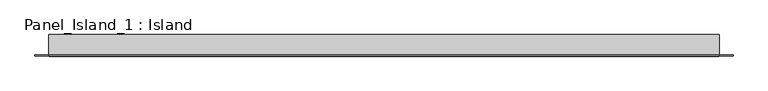
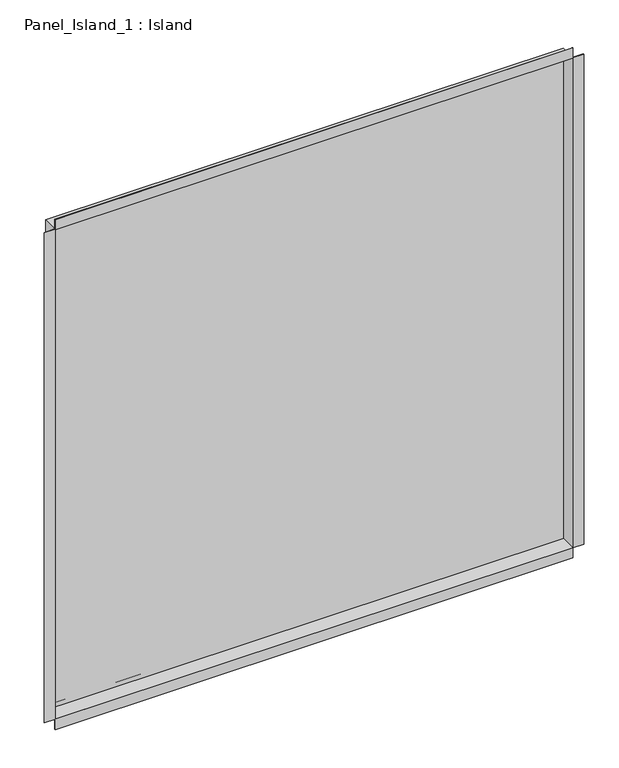
"""IFC4 building model written with IfcOpenShell, lengths in millimetres: plate geometry, Panel_Island_1 : Island."""

from ifc_helpers import new_model, si_unit, frame, origin, place, context, project, spatial, polyline, outline, extrude, faceted_brep, source, transform, mapped, element, save


def panel_island_1_island_26478758(model_context):
    return source(origin(), model_context, "Body", "SolidModel", [
        faceted_brep([(498.8500085, 31.2, 998.6), (498.8500085, 0.0, 998.6), (-498.8500085, 0.0, 998.6), (-498.8500085, 31.2, 998.6), (489.6500085, 32.0, 989.4), (489.6500085, 31.2, 989.4), (-489.6500085, 31.2, 989.4), (-489.6500085, 32.0, 989.4), (499.6500085, 32.0, 999.4), (-499.6500085, 32.0, 999.4), (-499.6500085, 1.5, 999.4), (499.6500085, 1.5, 999.4), (-498.8500085, 0.0, 1.4), (-498.8500085, 31.2, 1.4), (-489.6500085, 31.2, 10.6), (-489.6500085, 32.0, 10.6), (-499.6500085, 32.0, 0.6), (-499.6500085, 1.5, 0.6), (-499.6500085, 1.5, 1019.4), (-499.6500085, 0.0, 999.4), (-499.6500085, 0.0, 1019.4), (498.8500085, 0.0, 1.4), (498.8500085, 31.2, 1.4), (489.6500085, 31.2, 10.6), (489.6500085, 32.0, 10.6), (499.6500085, 32.0, 0.6), (499.6500085, 1.5, 0.6), (520.2500085, 1.5, 0.6), (520.2500085, 0.0, 0.6), (499.6500085, 0.0, 0.6), (-520.2500085, 1.5, 0.6), (-499.6500085, 0.0, 0.6), (-520.2500085, 0.0, 0.6), (499.6500085, 0.0, 1019.4), (-520.2500085, 0.0, 999.4), (-499.6500085, 0.0, -20.0), (499.6500085, 0.0, -20.0), (520.2500085, 0.0, 999.4), (499.6500085, 0.0, 999.4), (499.6500085, 1.5, 1019.4), (520.2500085, 1.5, 999.4), (-520.2500085, 1.5, 999.4), (499.6500085, 1.5, -20.0), (-499.6500085, 1.5, -20.0)], [[[0, 1, 2, 3]], [[4, 5, 6, 7]], [[8, 9, 10, 11]], [[3, 2, 12, 13]], [[7, 6, 14, 15]], [[9, 16, 17, 10]], [[18, 10, 19, 20]], [[13, 12, 21, 22]], [[15, 14, 23, 24]], [[16, 25, 26, 17]], [[26, 27, 28, 29]], [[30, 17, 31, 32]], [[33, 20, 19, 34, 32, 31, 35, 36, 29, 28, 37, 38], [2, 1, 21, 12]], [[1, 0, 22, 21]], [[0, 3, 13, 22], [6, 5, 23, 14]], [[5, 4, 24, 23]], [[9, 8, 25, 16], [4, 7, 15, 24]], [[25, 8, 11, 26]], [[11, 39, 33, 38]], [[10, 18, 39, 11]], [[20, 33, 39, 18]], [[11, 40, 27, 26]], [[38, 37, 40, 11]], [[37, 28, 27, 40]], [[17, 30, 41, 10]], [[32, 34, 41, 30]], [[34, 19, 10, 41]], [[26, 42, 43, 17]], [[35, 31, 17, 43]], [[36, 35, 43, 42]], [[29, 36, 42, 26]]]),
        extrude(outline(polyline([(498.8500085, 30.2), (-498.8500085, 30.2), (-498.8500085, 31.2), (498.8500085, 31.2), (498.8500085, 30.2)])), frame((0.0, 0.0, 1.4), z_axis=(0.0, 0.0, 1.0), x_axis=(1.0, 0.0, 0.0)), (0.0, 0.0, 1.0), 997.2),
        extrude(outline(polyline([(489.6500085, 31.2), (-489.6500085, 31.2), (-489.6500085, 32.0), (489.6500085, 32.0), (489.6500085, 31.2)])), frame((0.0, 0.0, 10.6), z_axis=(0.0, 0.0, 1.0), x_axis=(1.0, 0.0, 0.0)), (0.0, 0.0, 1.0), 978.8),
    ])


if __name__ == "__main__":
    model = new_model("IFC4")
    model_context = context("Model", 3, world=origin())
    ifc_project = project(units=[si_unit("LENGTHUNIT", "METRE", prefix="MILLI")], contexts=[model_context])
    site = spatial("IfcSite", under=ifc_project)
    building = spatial("IfcBuilding", under=site)
    placement = place(None, origin())
    panel_island_1_island_shape = panel_island_1_island_26478758(model_context)
    element("IfcPlate", 1, ObjectType="Panel_Island_1 : Island", at=placement, inside=building, context=model_context, shape_type="MappedRepresentation", body=[
        mapped(panel_island_1_island_shape, transform((0.0, 0.0, 0.0), x_axis=(1.0, 0.0, 0.0), y_axis=(0.0, 1.0, 0.0), z_axis=(0.0, 0.0, 1.0))),
    ])
    save(model, "model.ifc")
